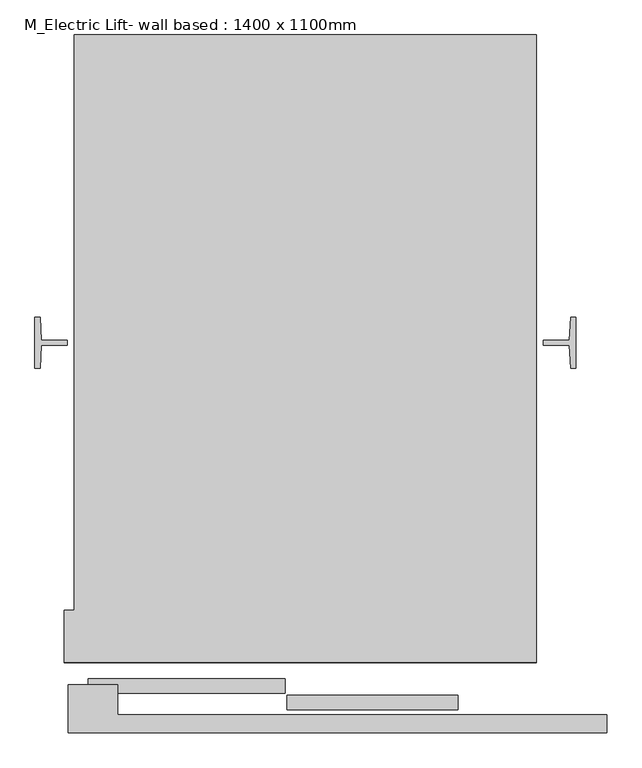
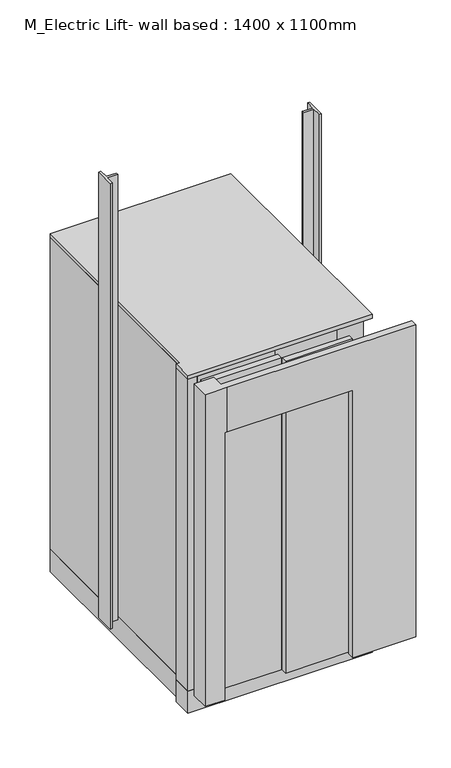
"""IFC4 building model written with IfcOpenShell, lengths in millimetres: proxy geometry, M_Electric Lift- wall based : 1400 x 1100mm."""

from ifc_helpers import new_model, si_unit, frame, origin, origin_with_axes, place, context, project, spatial, polyline, outline, extrude, faceted_brep, source, transform, mapped, element, save


def m_electric_lift_wall_based_1400_x_1100mm_ccf5964c(model_context):
    return source(origin(), model_context, "Body", "SolidModel", [
        extrude(outline(polyline([(-450.0, 1665.0000633), (700.0, 1665.0000633), (700.0, 105.0), (-475.0, 105.0), (-475.0, 235.0008701), (-450.0, 235.0008701), (-450.0, 1665.0000633)])), frame((0.0, 0.0, -150.0), z_axis=(0.0, 0.0, 1.0), x_axis=(1.0, 0.0, 0.0)), (0.0, 0.0, 1.0), 150.0),
        extrude(outline(polyline([(-450.0, 235.0008701), (-450.0, 1665.0000633), (700.0, 1665.0000633), (700.0, 105.0), (-475.0, 105.0), (-475.0, 235.0008701), (-450.0, 235.0008701)])), frame((0.0, 0.0, 2100.0), z_axis=(0.0, 0.0, 1.0), x_axis=(1.0, 0.0, 0.0)), (0.0, 0.0, 1.0), 25.0),
        extrude(outline(polyline([(-450.0, 235.0008701), (-450.0, 1665.0000633), (700.0, 1665.0000633), (700.0, 207.1745839), (475.0000477, 207.1745839), (475.0000477, 235.0004667), (675.0, 235.0004667), (675.0, 1635.0004667), (-425.0, 1635.0004667), (-425.0, 1015.0004667), (-410.2393463, 1015.0004667), (-410.2393463, 785.0004667), (-424.9999046, 785.0004667), (-424.9999046, 235.0008701), (-392.0035134, 235.0008701), (-392.0035134, 189.001677), (-417.0035134, 189.001677), (-417.0035134, 105.0), (-475.0, 105.0), (-475.0, 235.0008701), (-450.0, 235.0008701)])), origin_with_axes(), (0.0, 0.0, 1.0), 2100.0),
        faceted_brep([(-325.0035134, -70.4213859, 2100.0), (875.0000525, -70.4213859, 2100.0), (875.0000525, -25.4213859, 2100.0), (-342.0035134, -25.4213859, 2100.0), (-342.0035134, 49.5786141, 2100.0), (-465.0035134, 49.5786141, 2100.0), (-465.0035134, -70.4213859, 2100.0), (-465.0035134, -70.4213859, 0.0), (-465.0035134, 49.5786141, 0.0), (-342.0035134, 49.5786141, 0.0), (-342.0035134, -70.4213859, 0.0), (875.0000525, -25.4213859, 0.0), (875.0000525, -70.4213859, 0.0), (475.0000477, -70.4213859, 0.0), (475.0000477, -25.4213859, 0.0), (-325.0035134, -70.4213859, 1800.0), (475.0000477, -70.4213859, 1800.0), (475.0000477, -25.4213859, 1800.0), (-342.0035134, -25.4213859, 1800.0), (-342.0035134, -70.4213859, 1800.0)], [[[0, 1, 2, 3, 4, 5, 6]], [[7, 8, 9, 10]], [[11, 12, 13, 14]], [[1, 0, 15, 16, 13, 12]], [[2, 1, 12, 11]], [[3, 2, 11, 14, 17, 18]], [[4, 3, 18, 19, 10, 9]], [[5, 4, 9, 8]], [[6, 5, 8, 7]], [[0, 6, 7, 10, 19, 15]], [[19, 18, 17, 16, 15]], [[16, 17, 14, 13]]]),
        extrude(outline(polyline([(498.0000477, 185.8599994), (498.0000477, 149.8599994), (74.0000482, 149.8599994), (74.0000482, 185.8599994), (498.0000477, 185.8599994)])), origin_with_axes(), (0.0, 0.0, 1.0), 2100.0),
        extrude(outline(polyline([(80.0000482, 140.999237), (80.0000482, 104.999237), (-415.0034503, 104.999237), (-415.0034503, 140.999237), (80.0000482, 140.999237)])), origin_with_axes(), (0.0, 0.0, 1.0), 2100.0),
        extrude(outline(polyline([(-415.0, 64.4999606), (75.0000482, 64.4999606), (75.0000482, 28.4999606), (-415.0, 28.4999606), (-415.0, 64.4999606)])), origin_with_axes(), (0.0, 0.0, 1.0), 2100.0),
        extrude(outline(polyline([(79.0000482, 22.9999606), (505.0000477, 22.9999606), (505.0000477, -13.0000394), (79.0000482, -13.0000394), (79.0000482, 22.9999606)])), origin_with_axes(), (0.0, 0.0, 1.0), 2100.0),
        extrude(outline(polyline([(-532.1071559, 906.195743), (-467.0208909, 906.195743), (-467.0208909, 893.7001269), (-532.0209381, 893.7001269), (-535.0209381, 836.5001269), (-548.0208905, 836.5001269), (-548.0208905, 963.5001269), (-535.0209381, 963.5001269), (-532.1071559, 906.195743)])), origin_with_axes(), (0.0, 0.0, 1.0), 3000.0),
        extrude(outline(polyline([(782.0209858, 893.7001269), (717.0209863, 893.7001269), (717.0209863, 906.195743), (782.1072036, 906.195743), (785.0209858, 963.5004667), (798.0209858, 963.5004667), (798.0209858, 836.5004667), (785.0209858, 836.5004667), (782.0209858, 893.7001269)])), origin_with_axes(), (0.0, 0.0, 1.0), 3000.0),
    ])


if __name__ == "__main__":
    model = new_model("IFC4")
    model_context = context("Model", 3, world=origin())
    ifc_project = project(units=[si_unit("LENGTHUNIT", "METRE", prefix="MILLI")], contexts=[model_context])
    site = spatial("IfcSite", under=ifc_project)
    building = spatial("IfcBuilding", under=site)
    placement = place(None, origin())
    m_electric_lift_wall_based_1400_x_1100mm_shape = m_electric_lift_wall_based_1400_x_1100mm_ccf5964c(model_context)
    element("IfcBuildingElementProxy", 1, Name="M_Electric Lift- wall based : 1400 x 1100mm", ObjectType="M_Electric Lift- wall based : 1400 x 1100mm", at=placement, inside=building, context=model_context, shape_type="MappedRepresentation", body=[
        mapped(m_electric_lift_wall_based_1400_x_1100mm_shape, transform((0.0, 0.0, 0.0), x_axis=(1.0, 0.0, 0.0), y_axis=(0.0, 1.0, 0.0), z_axis=(0.0, 0.0, 1.0))),
    ])
    save(model, "model.ifc")
